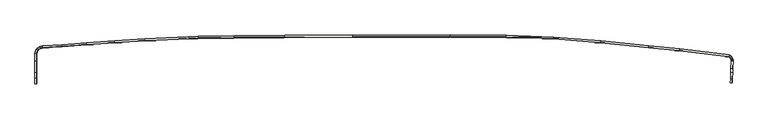
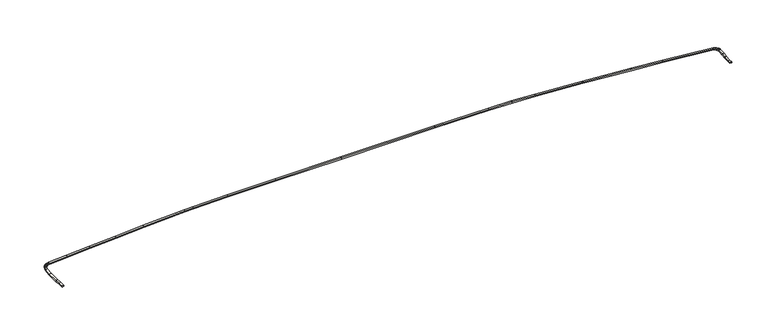
"""IFC4 building model written with IfcOpenShell, lengths in millimetres: wall geometry."""

from ifc_helpers import new_model, si_unit, origin, place, context, project, spatial, faceted_brep, source, transform, mapped, element, save


def wall_424acfcd(model_context):
    return source(origin(), model_context, "Body", "Brep", [
        faceted_brep([(55119.0186271, 133743.3708955, -2150.6524807), (54819.2146326, 133753.1311573, -2155.375), (54821.3591504, 133723.3806465, -2353.0042103), (55128.4387315, 133713.3835246, -2348.1670857), (55138.9180932, 134313.2170482, -2236.2194842), (54839.1275864, 134323.3635462, -2241.0), (54841.8365395, 134309.776348, -2441.0562622), (55148.9023057, 134299.3836167, -2436.1597338), (55174.2400988, 135324.7069456, -2221.6919228), (54874.4731199, 135335.5271961, -2226.4627618), (54878.1666772, 135350.1353718, -2426.1140669), (55185.2083444, 135339.0525374, -2421.2274501), (55198.8008123, 136028.0337589, -2127.5943015), (54899.03126, 136038.7803155, -2132.375), (54902.6171228, 136050.3045263, -2332.4389067), (55209.661426, 136039.2971743, -2327.5421911), (55235.9024192, 137090.4847702, -2145.3118559), (54935.9390526, 137095.6812112, -2150.0), (54939.0624106, 137093.9610173, -2349.8430415), (55246.3052315, 137088.63847, -2345.0411264), (55235.9024192, 137275.281877, -2145.3118559), (54935.9390526, 137235.6812112, -2150.0), (54939.0624106, 137229.7449636, -2349.8430415), (55246.3052315, 137270.3066507, -2345.0411264), (55184.2593741, 137468.0163449, -2157.7826936), (54894.5280053, 137390.2293435, -2160.0), (54858.3022641, 137525.461355, -2169.9999317), (54863.4645138, 137511.9155878, -2369.3410785), (54899.4142356, 137377.713967, -2359.4173405), (55196.1767505, 137457.3886886, -2357.146225), (55146.3373319, 137643.6824925, -2370.9175899), (55134.474385, 137654.1066976, -2171.5390189), (55008.9031352, 137833.3178348, -2187.1709047), (54777.9926379, 137640.1402453, -2180.0), (54782.5872036, 137627.4053304, -2379.4118495), (55019.1013931, 137825.2709171, -2386.7567764), (54835.0357214, 138007.1852485, -2200.8312188), (54650.7134173, 137767.4194659, -2190.0), (54651.1676962, 137758.8248378, -2389.7371412), (54839.9630991, 138004.4092111, -2400.83121), (54626.0557302, 138127.8399027, -2200.8312188), (54529.4698608, 137837.4194659, -2190.0), (54527.199333, 137830.3980056, -2389.7371412), (54626.1291301, 138127.8663107, -2400.83121), (46791.8779504, 139060.6464984, -2205.5698553), (46759.168048, 138762.6204232, -2194.7), (46758.7005825, 138755.3842743, -2394.4360505), (46792.2042827, 139060.64279, -2405.5696935), (41913.6117778, 139550.1380064, -2218.5482065), (41883.6508421, 139251.8360964, -2207.6710377), (34275.1815663, 140015.2530751, -2228.6430824), (34275.3883019, 140007.9492774, -2428.3773014), (41883.4534232, 139244.5728507, -2407.4063708), (41914.1414453, 139550.1138952, -2418.5475037), (34303.732557, 140313.7522268, -2439.5258643), (34302.8543287, 140313.8113132, -2239.5275271), (26867.5905002, 140943.7432815, -2284.7200766), (26848.6698986, 140644.4702292, -2273.7834123), (26848.2030654, 140637.2234964, -2473.5217253), (26867.5828286, 140943.7592506, -2484.7237985), (23157.7195149, 141098.7518185, -2261.9102296), (23145.7273443, 140799.1892774, -2251.0161643), (23144.9442878, 140791.9557573, -2450.752533), (23157.2274822, 141098.7880255, -2461.9109735), (19397.5170505, 141243.3749902, -2266.4714612), (19391.211774, 140943.5937225, -2255.5704975), (19391.3792885, 140936.3236419, -2455.3057131), (19397.8375803, 141243.3799448, -2466.4712194), (10551.7256001, 141274.3404212, -2284.0829855), (10551.5968185, 140974.5375321, -2273.1697247), (10551.707156, 140967.2676517, -2472.9050542), (10551.8390628, 141274.3461006, -2484.083156), (-4828.448735, 141233.0790548, -2270.912318), (-4827.4765756, 140933.2791192, -2260.0), (-4827.5859798, 140926.0086493, -2459.7351413), (-4828.5817314, 141233.084073, -2470.9122774), (-15639.4144893, 141192.4922761, -2265.7937418), (-15638.2670202, 140892.6929987, -2254.8815068), (-15638.6415922, 140885.4215333, -2454.6165225), (-15639.8169078, 141192.4962829, -2465.7935736), (-23553.5670402, 141162.7856265, -2437.6951231), (-23553.3197523, 141162.7810373, -2237.6947405), (-23550.1272343, 140862.9901093, -2226.7897665), (-23550.2970467, 140855.7194126, -2426.5255093), (-29279.5369957, 141062.8302154, -2243.870588), (-29269.2560506, 140763.1623445, -2232.957969), (-29269.0541072, 140755.8981368, -2432.6933109), (-29279.5845483, 141062.838291, -2443.8707552), (-30742.4614159, 140987.9829195, -2241.598962), (-30727.3901453, 140688.560135, -2230.6937815), (-30726.4730162, 140681.3325182, -2430.4302339), (-30741.9100336, 140988.0216382, -2441.6000592), (-37703.348542, 140641.9739103, -2290.9231474), (-37685.7416856, 140342.6771637, -2280.0), (-37684.3061209, 140335.4753171, -2479.7327788), (-37702.3402571, 140642.0353406, -2490.9210071), (-42465.9309645, 140316.5630474, -2305.3591289), (-42445.5396534, 140017.456553, -2294.4275415), (-42444.2137871, 140010.2472111, -2494.1606528), (-42465.0999507, 140316.6123653, -2505.3575259), (-46920.3951435, 140012.1970017, -2529.0275664), (-50774.5373146, 139748.8560342, -2559.4697773), (-53878.9792559, 139536.7389987, -2601.1452459), (-53880.3200893, 139536.6548466, -2401.1453021), (-50776.6600889, 139748.7184545, -2359.4803306), (-46921.7106181, 140012.1145822, -2329.0317433), (-46901.3458126, 139713.0066561, -2318.1002965), (-46899.5361282, 139705.8303718, -2517.8308374), (-50756.3394567, 139449.6082103, -2348.5492324), (-50753.7235434, 139442.4870128, -2548.2734052), (-53844.043302, 139238.6360352, -2390.0), (-53841.8221067, 139231.487868, -2589.7294717), (-54138.5895088, 139491.1172795, -2401.1453022), (-54060.7010077, 139200.4334361, -2390.0), (-54058.7718636, 139193.2337724, -2589.7294717), (-54138.5505481, 139490.9718763, -2601.1452459), (-54375.8214513, 139404.7719138, -2401.1453022), (-54248.6395319, 139132.0294074, -2390.0), (-54245.4894873, 139125.2741151, -2589.7294717), (-54375.7578336, 139404.6354851, -2601.1452459), (-54605.9217718, 139271.9234318, -2401.1453022), (-54421.8446126, 139032.0294074, -2390.0), (-54417.2853856, 139026.0877071, -2589.7294717), (-54605.8296945, 139271.8034343, -2601.1452459), (-54779.6557611, 139098.1894425, -2401.1453022), (-54549.1238332, 138904.7501868, -2390.0), (-54543.4140135, 138899.9590792, -2589.7294717), (-54779.5404466, 139098.0926821, -2601.1452459), (-54920.4221377, 138897.1542223, -2401.1453022), (-54652.3675918, 138757.3028188, -2390.0), (-54643.0773762, 138757.6250464, -2589.7294717), (-54917.6370192, 138900.8703373, -2601.1452459), (-55013.11038, 138642.4953697, -2413.4635881), (-54727.6120233, 138550.5704423, -2400.0), (-54710.8496887, 138571.422148, -2598.7364256), (-55003.2764655, 138665.5778922, -2612.5267455), (-55088.5208265, 138361.059752, -2473.721005), (-54789.7285941, 138318.748244, -2449.6348222), (-54771.8122006, 138343.9069562, -2647.4490863), (-55077.8554663, 138387.245272, -2672.119788), (-55088.5208265, 137146.8559025, -2556.0215288), (-54789.7285941, 137145.8965916, -2529.1324333), (-54771.8122006, 137152.9975947, -2728.1706755), (-55077.8554663, 137153.980186, -2755.7123105), (-55088.5208265, 135325.7213851, -2562.6595019), (-54789.7285941, 135327.1381924, -2535.7617455), (-54771.8122006, 135316.6507126, -2734.8640971), (-55077.8554663, 135315.1995225, -2762.4146032), (-55088.5208265, 134411.0252012, -2462.6577894), (-54789.7285941, 134412.7429164, -2435.7929305), (-54771.8122006, 134400.0280592, -2634.6517679), (-55077.8554663, 134398.2686588, -2662.1685781), (-55088.5208265, 133572.6921119, -2446.8876567), (-55077.8554663, 133568.9358704, -2646.5677527), (-54771.8122006, 133569.4539365, -2619.0275914), (-54789.7285941, 133573.1979036, -2420.0)], [[[0, 1, 2, 3]], [[1, 0, 4, 5]], [[2, 1, 5, 6]], [[3, 2, 6, 7]], [[0, 3, 7, 4]], [[5, 4, 8, 9]], [[6, 5, 9, 10]], [[7, 6, 10, 11]], [[4, 7, 11, 8]], [[9, 8, 12, 13]], [[10, 9, 13, 14]], [[11, 10, 14, 15]], [[8, 11, 15, 12]], [[13, 12, 16, 17]], [[14, 13, 17, 18]], [[15, 14, 18, 19]], [[12, 15, 19, 16]], [[17, 16, 20, 21]], [[18, 17, 21, 22]], [[19, 18, 22, 23]], [[16, 19, 23, 20]], [[21, 20, 24, 25]], [[22, 21, 25, 26, 27, 28]], [[23, 22, 28, 29]], [[20, 23, 29, 30, 31, 24]], [[25, 24, 31, 26]], [[29, 28, 27, 30]], [[26, 31, 32, 33]], [[27, 26, 33, 34]], [[30, 27, 34, 35]], [[31, 30, 35, 32]], [[33, 32, 36, 37]], [[34, 33, 37, 38]], [[35, 34, 38, 39]], [[32, 35, 39, 36]], [[37, 36, 40, 41]], [[38, 37, 41, 42]], [[39, 38, 42, 43]], [[36, 39, 43, 40]], [[41, 40, 44, 45]], [[42, 41, 45, 46]], [[43, 42, 46, 47]], [[40, 43, 47, 44]], [[45, 44, 48, 49]], [[46, 45, 49, 50, 51, 52]], [[47, 46, 52, 53]], [[44, 47, 53, 54, 55, 48]], [[49, 48, 55, 50]], [[53, 52, 51, 54]], [[50, 55, 56, 57]], [[51, 50, 57, 58]], [[54, 51, 58, 59]], [[55, 54, 59, 56]], [[57, 56, 60, 61]], [[58, 57, 61, 62]], [[59, 58, 62, 63]], [[56, 59, 63, 60]], [[61, 60, 64, 65]], [[62, 61, 65, 66]], [[63, 62, 66, 67]], [[60, 63, 67, 64]], [[65, 64, 68, 69]], [[66, 65, 69, 70]], [[67, 66, 70, 71]], [[64, 67, 71, 68]], [[69, 68, 72, 73]], [[70, 69, 73, 74]], [[71, 70, 74, 75]], [[68, 71, 75, 72]], [[73, 72, 76, 77]], [[74, 73, 77, 78]], [[75, 74, 78, 79]], [[72, 75, 79, 80, 81, 76]], [[77, 76, 81, 82]], [[78, 77, 82, 83]], [[79, 78, 83, 80]], [[82, 81, 84, 85]], [[83, 82, 85, 86]], [[80, 83, 86, 87]], [[81, 80, 87, 84]], [[85, 84, 88, 89]], [[86, 85, 89, 90]], [[87, 86, 90, 91]], [[84, 87, 91, 88]], [[89, 88, 92, 93]], [[90, 89, 93, 94]], [[91, 90, 94, 95]], [[88, 91, 95, 92]], [[93, 92, 96, 97]], [[94, 93, 97, 98]], [[95, 94, 98, 99]], [[92, 95, 99, 100, 101, 102, 103, 104, 105, 96]], [[97, 96, 105, 106]], [[98, 97, 106, 107]], [[99, 98, 107, 100]], [[106, 105, 104, 108]], [[107, 106, 108, 109]], [[100, 107, 109, 101]], [[108, 104, 103, 110]], [[109, 108, 110, 111]], [[101, 109, 111, 102]], [[110, 103, 112, 113]], [[111, 110, 113, 114]], [[102, 111, 114, 115]], [[103, 102, 115, 112]], [[113, 112, 116, 117]], [[114, 113, 117, 118]], [[115, 114, 118, 119]], [[112, 115, 119, 116]], [[117, 116, 120, 121]], [[118, 117, 121, 122]], [[119, 118, 122, 123]], [[116, 119, 123, 120]], [[121, 120, 124, 125]], [[122, 121, 125, 126]], [[123, 122, 126, 127]], [[120, 123, 127, 124]], [[125, 124, 128, 129]], [[126, 125, 129, 130]], [[127, 126, 130, 131]], [[124, 127, 131, 128]], [[129, 128, 132, 133]], [[130, 129, 133, 134]], [[131, 130, 134, 135]], [[128, 131, 135, 132]], [[133, 132, 136, 137]], [[134, 133, 137, 138]], [[135, 134, 138, 139]], [[132, 135, 139, 136]], [[137, 136, 140, 141]], [[138, 137, 141, 142]], [[139, 138, 142, 143]], [[136, 139, 143, 140]], [[141, 140, 144, 145]], [[142, 141, 145, 146]], [[143, 142, 146, 147]], [[140, 143, 147, 144]], [[145, 144, 148, 149]], [[146, 145, 149, 150]], [[147, 146, 150, 151]], [[144, 147, 151, 148]], [[152, 153, 154, 155]], [[149, 148, 152, 155]], [[150, 149, 155, 154]], [[151, 150, 154, 153]], [[148, 151, 153, 152]]]),
    ])


if __name__ == "__main__":
    model = new_model("IFC4")
    model_context = context("Model", 3, world=origin())
    ifc_project = project(units=[si_unit("LENGTHUNIT", "METRE", prefix="MILLI")], contexts=[model_context])
    site = spatial("IfcSite", under=ifc_project)
    building = spatial("IfcBuilding", under=site)
    placement = place(None, origin())
    wall_shape = wall_424acfcd(model_context)
    element("IfcWall", 1, at=placement, inside=building, context=model_context, shape_type="MappedRepresentation", body=[
        mapped(wall_shape, transform((0.0, 0.0, 0.0), x_axis=(1.0, 0.0, 0.0), y_axis=(0.0, 1.0, 0.0), z_axis=(0.0, 0.0, 1.0))),
    ])
    save(model, "model.ifc")
